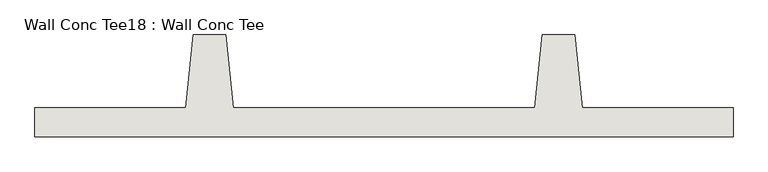
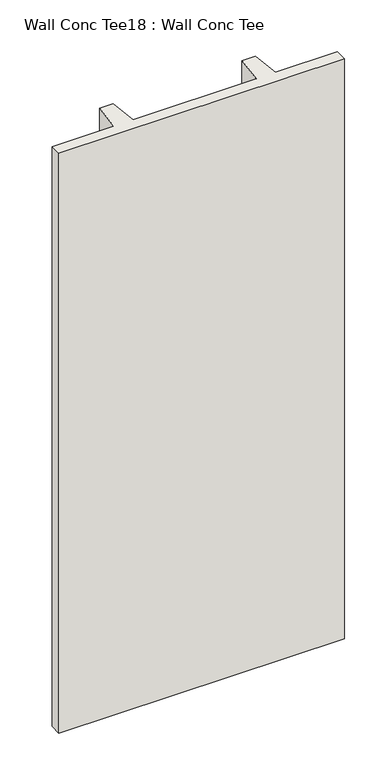
"""IFC4 building model written with IfcOpenShell, lengths in millimetres: wall geometry, Wall Conc Tee18 : Wall Conc Tee."""

from ifc_helpers import new_model, si_unit, frame, origin, place, context, project, spatial, polyline, outline, extrude, source, transform, mapped, element, save


def wall_conc_tee18_wall_conc_tee_1d86eb12(model_context):
    return source(origin(), model_context, "Body", "SweptSolid", [
        extrude(outline(polyline([(215049.8728488, 180886.8596581), (212611.4728488, 180886.8596581), (212611.4728488, 180988.4596581), (213138.5228488, 180988.4596581), (213163.9228488, 181242.4596581), (213278.2228488, 181242.4596581), (213303.6228488, 180988.4596581), (214357.7228488, 180988.4596581), (214383.1228488, 181242.4596581), (214497.4228488, 181242.4596581), (214522.8228488, 180988.4596581), (215049.8728488, 180988.4596581), (215049.8728488, 180886.8596581)])), frame((0.0, 0.0, 143.7592564), z_axis=(0.0, 0.0, 1.0), x_axis=(1.0, 0.0, 0.0)), (0.0, 0.0, 1.0), 5232.4087123),
    ])


if __name__ == "__main__":
    model = new_model("IFC4")
    model_context = context("Model", 3, world=origin())
    ifc_project = project(units=[si_unit("LENGTHUNIT", "METRE", prefix="MILLI")], contexts=[model_context])
    site = spatial("IfcSite", under=ifc_project)
    building = spatial("IfcBuilding", under=site)
    placement = place(None, origin())
    wall_conc_tee18_wall_conc_tee_shape = wall_conc_tee18_wall_conc_tee_1d86eb12(model_context)
    element("IfcWall", 1, ObjectType="Wall Conc Tee18 : Wall Conc Tee", at=placement, inside=building, context=model_context, shape_type="MappedRepresentation", body=[
        mapped(wall_conc_tee18_wall_conc_tee_shape, transform((0.0, 0.0, 0.0), x_axis=(1.0, 0.0, 0.0), y_axis=(0.0, 1.0, 0.0), z_axis=(0.0, 0.0, 1.0))),
    ])
    save(model, "model.ifc")
